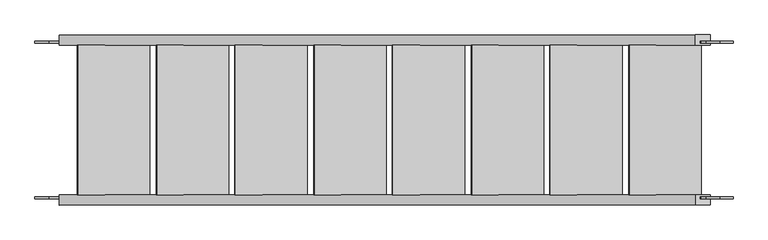
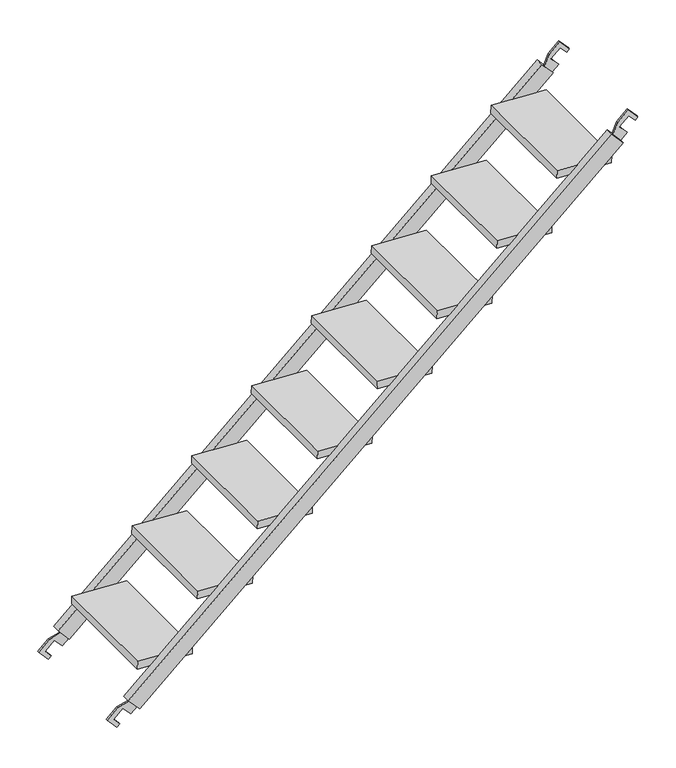
"""IFC4 building model written with IfcOpenShell, lengths in millimetres: proxy geometry."""

from ifc_helpers import new_model, si_unit, frame, origin, place, context, project, spatial, polyline, outline, extrude, source, transform, mapped, element, save


def generic_models_da353fa5(model_context):
    return source(origin(), model_context, "Body", "SweptSolid", [
        extrude(outline(polyline([(0.0, -207.9240001), (0.0, 0.0), (432.0, 0.0), (432.0, -207.9240001), (0.0, -207.9240001)])), frame((-25.4603124, 12.0, 256.7088852), z_axis=(0.0514150870698003, 0.0, 0.998677369735394), x_axis=(0.0, 1.0, 0.0)), (0.0, 0.0, 1.0), 30.0),
        extrude(outline(polyline([(0.0, -207.9240001), (0.0, 0.0), (432.0, 0.0), (432.0, -207.9240001), (0.0, -207.9240001)])), frame((202.5907618, 12.0, 458.250184), z_axis=(0.05141508706979764, 0.0, 0.9986773697353941), x_axis=(0.0, 1.0, 0.0)), (0.0, 0.0, 1.0), 30.0),
        extrude(outline(polyline([(0.0, -207.924), (0.0, 0.0), (432.0, 0.0), (432.0, -207.924), (0.0, -207.924)])), frame((429.6875856, 12.0, 659.8406107), z_axis=(0.05141508706979691, 0.0, 0.9986773697353942), x_axis=(0.0, 1.0, 0.0)), (0.0, 0.0, 1.0), 30.0),
        extrude(outline(polyline([(0.0, -207.924), (0.0, 0.0), (432.0, 0.0), (432.0, -207.924), (0.0, -207.924)])), frame((656.7844093, 12.0, 861.4310373), z_axis=(0.05141508706979898, 0.0, 0.9986773697353941), x_axis=(0.0, 1.0, 0.0)), (0.0, 0.0, 1.0), 30.0),
        extrude(outline(polyline([(0.0, -207.924), (0.0, 0.0), (432.0, 0.0), (432.0, -207.924), (0.0, -207.924)])), frame((883.881233, 12.0, 1063.0214639), z_axis=(0.051415087069799595, 0.0, 0.9986773697353941), x_axis=(0.0, 1.0, 0.0)), (0.0, 0.0, 1.0), 30.0),
        extrude(outline(polyline([(0.0, -207.9240001), (0.0, 0.0), (432.0, 0.0), (432.0, -207.9240001), (0.0, -207.9240001)])), frame((1110.9780567, 12.0, 1264.6118906), z_axis=(0.051415087069796146, 0.0, 0.9986773697353943), x_axis=(0.0, 1.0, 0.0)), (0.0, 0.0, 1.0), 30.0),
        extrude(outline(polyline([(0.0, -207.924), (0.0, 0.0), (432.0, 0.0), (432.0, -207.924), (0.0, -207.924)])), frame((1338.0748805, 12.0, 1466.2023172), z_axis=(0.051415087069792184, 0.0, 0.9986773697353944), x_axis=(0.0, 1.0, 0.0)), (0.0, 0.0, 1.0), 30.0),
        extrude(outline(polyline([(0.0, -207.924), (0.0, 0.0), (432.0, 0.0), (432.0, -207.924), (0.0, -207.924)])), frame((1565.1717042, 12.0, 1667.7927438), z_axis=(0.051415087069803175, 0.0, 0.9986773697353939), x_axis=(0.0, 1.0, 0.0)), (0.0, 0.0, 1.0), 30.0),
        extrude(outline(polyline([(137.7866881, -106.7923308), (101.9380946, -147.1765276), (60.8060884, -110.664117), (70.8801726, -99.3154229), (97.0551204, -122.5506241), (128.7990526, -86.7903061), (96.2674618, -57.9123858), (117.9809312, -33.4516255), (150.8371222, -62.6175713), (149.4146784, -64.2460136), (137.7866881, -106.7923308)])), frame((0.0, 450.0, 0.0), z_axis=(0.0, 1.0, 0.0), x_axis=(0.0, 0.0, 1.0)), (0.0, 0.0, 1.0), 6.0),
        extrude(outline(polyline([(1821.4520533, 1789.8999943), (1780.5847132, 1773.3090397), (1779.1364557, 1771.7035664), (1746.2801855, 1800.8695825), (1767.9881906, 1825.3241737), (1800.5199412, 1796.4462744), (1832.3852931, 1832.3433685), (1806.2102801, 1855.5784965), (1816.1684198, 1866.7965916), (1857.3005283, 1830.2842963), (1821.4520533, 1789.8999943)])), frame((0.0, 450.0, 0.0), z_axis=(0.0, 1.0, 0.0), x_axis=(0.0, 0.0, 1.0)), (0.0, 0.0, 1.0), 6.0),
        extrude(outline(polyline([(117.9809249, -33.4516207), (1746.2801948, 1800.8695743), (1794.8908682, 1757.7186118), (166.591571, -76.6025589), (117.9809249, -33.4516207)])), frame((0.0, 444.0, 0.0), z_axis=(0.0, 1.0, 0.0), x_axis=(0.0, 0.0, 1.0)), (0.0, 0.0, 1.0), 30.0),
        extrude(outline(polyline([(137.7866881, -106.7923308), (101.9380946, -147.1765276), (60.8060884, -110.664117), (70.8801726, -99.3154229), (97.0551204, -122.5506241), (128.7990526, -86.7903061), (96.2674618, -57.9123858), (117.9809308, -33.4516259), (150.8371218, -62.6175717), (149.4146784, -64.2460136), (137.7866881, -106.7923308)])), frame((0.0, 0.0, 0.0), z_axis=(0.0, 1.0, 0.0), x_axis=(0.0, 0.0, 1.0)), (0.0, 0.0, 1.0), 6.0),
        extrude(outline(polyline([(1821.4520533, 1789.8999943), (1780.5847132, 1773.3090397), (1779.1364557, 1771.7035664), (1746.2801855, 1800.8695825), (1767.9881906, 1825.3241737), (1800.5199412, 1796.4462744), (1832.3852931, 1832.3433685), (1806.2102801, 1855.5784965), (1816.1684198, 1866.7965916), (1857.3005283, 1830.2842963), (1821.4520533, 1789.8999943)])), frame((0.0, 0.0, 0.0), z_axis=(0.0, 1.0, 0.0), x_axis=(0.0, 0.0, 1.0)), (0.0, 0.0, 1.0), 6.0),
        extrude(outline(polyline([(117.9809249, -33.4516207), (1746.2801948, 1800.8695743), (1794.8908682, 1757.7186118), (166.591571, -76.6025589), (117.9809249, -33.4516207)])), frame((0.0, -18.0, 0.0), z_axis=(0.0, 1.0, 0.0), x_axis=(0.0, 0.0, 1.0)), (0.0, 0.0, 1.0), 30.0),
    ])


if __name__ == "__main__":
    model = new_model("IFC4")
    model_context = context("Model", 3, world=origin())
    ifc_project = project(units=[si_unit("LENGTHUNIT", "METRE", prefix="MILLI")], contexts=[model_context])
    site = spatial("IfcSite", under=ifc_project)
    building = spatial("IfcBuilding", under=site)
    placement = place(None, origin())
    generic_models_shape = generic_models_da353fa5(model_context)
    element("IfcBuildingElementProxy", 1, Name="Generic Models", at=placement, inside=building, context=model_context, shape_type="MappedRepresentation", body=[
        mapped(generic_models_shape, transform((0.0, 0.0, 0.0), x_axis=(1.0, 0.0, 0.0), y_axis=(0.0, 1.0, 0.0), z_axis=(0.0, 0.0, 1.0))),
    ])
    save(model, "model.ifc")
